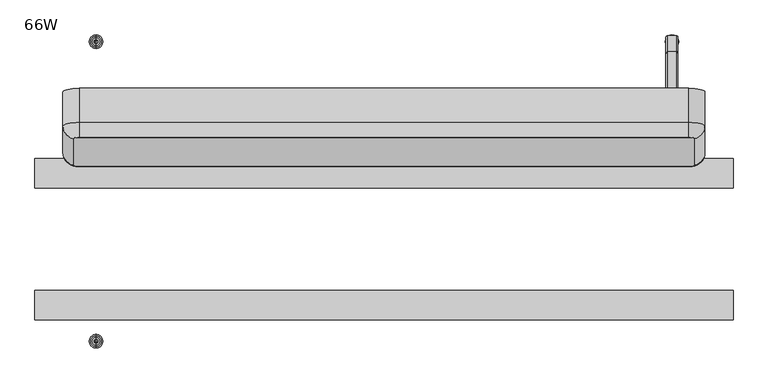
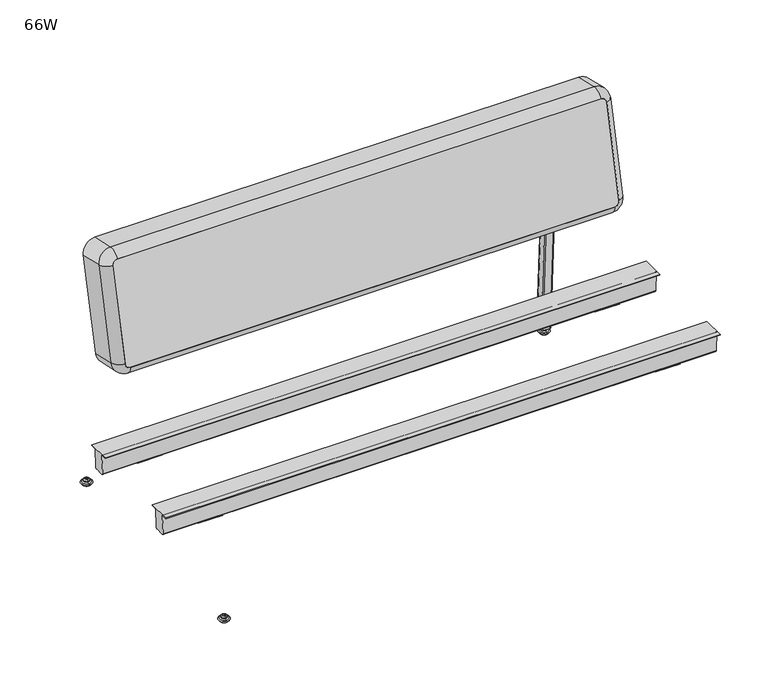
"""IFC4 building model written with IfcOpenShell, lengths in millimetres: furniture geometry, 66W."""

from ifc_helpers import new_model, si_unit, point, frame, frame_2d, origin, place, context, project, spatial, polyline, circle_curve, ellipse_curve, trimmed, segment, composite_curve, outline, extrude, source, transform, mapped, element, save
from ifc_brep_helpers import plane_surface, cylinder_surface, revolved_surface, advanced_brep


def furniture_66w_5d58f311(model_context):
    return source(origin(), model_context, "Body", "SolidModel", [
        advanced_brep(
        [(1447.8, -14.3992226, 14.8752118), (1447.8, -11.087517, 14.8752118), (1447.8, -17.7109282, 14.8752118), (1447.8, -10.5005793, 13.858606), (1447.8, -18.2978659, 13.858606), (1447.8, -6.4686056, 11.2402116), (1447.8, -22.3298395, 11.2402116), (1447.8, -6.4686056, 8.74896), (1447.8, -22.3298395, 8.74896), (1447.8, -8.0502748, 8.74896), (1447.8, -20.7481704, 8.74896), (1447.8, -3.1906557, 5.9432577), (1447.8, -25.6077895, 5.9432577), (1447.8, 0.0, 3.5556814), (1447.8, -28.7984452, 3.5556814), (1447.8, -2.0528912, 0.0), (1447.8, -26.7455539, 0.0), (1447.8, -14.3992226, 0.0)],
        [
            (0, 1),
            (1, 2, circle_curve(frame((1447.8, -14.3992226, 14.8752118), z_axis=(0.0, 0.0, 1.0), x_axis=(0.0, 1.0, 0.0)), 3.3117056)),
            (2, 0),
            (2, 1, circle_curve(frame((1447.8, -14.3992226, 14.8752118), z_axis=(0.0, 0.0, 1.0), x_axis=(0.0, 1.0, 0.0)), 3.3117056)),
            (1, 3),
            (3, 4, circle_curve(frame((1447.8, -14.3992226, 13.858606), z_axis=(0.0, 0.0, 1.0), x_axis=(0.0, 1.0, 0.0)), 3.8986433)),
            (4, 2),
            (4, 3, circle_curve(frame((1447.8, -14.3992226, 13.858606), z_axis=(0.0, 0.0, 1.0), x_axis=(0.0, 1.0, 0.0)), 3.8986433)),
            (3, 5),
            (5, 6, circle_curve(frame((1447.8, -14.3992226, 11.2402116), z_axis=(0.0, 0.0, 1.0), x_axis=(0.0, 1.0, 0.0)), 7.930617)),
            (6, 4),
            (6, 5, circle_curve(frame((1447.8, -14.3992226, 11.2402116), z_axis=(0.0, 0.0, 1.0), x_axis=(0.0, 1.0, 0.0)), 7.930617)),
            (5, 7),
            (7, 8, circle_curve(frame((1447.8, -14.3992226, 8.74896), z_axis=(0.0, 0.0, 1.0), x_axis=(0.0, 1.0, 0.0)), 7.930617)),
            (8, 6),
            (8, 7, circle_curve(frame((1447.8, -14.3992226, 8.74896), z_axis=(0.0, 0.0, 1.0), x_axis=(0.0, 1.0, 0.0)), 7.930617)),
            (7, 9),
            (9, 10, circle_curve(frame((1447.8, -14.3992226, 8.74896), z_axis=(0.0, 0.0, 1.0), x_axis=(0.0, 1.0, 0.0)), 6.3489478)),
            (10, 8),
            (10, 9, circle_curve(frame((1447.8, -14.3992226, 8.74896), z_axis=(0.0, 0.0, 1.0), x_axis=(0.0, 1.0, 0.0)), 6.3489478)),
            (9, 11, circle_curve(frame((1447.8, -3.5380298, 10.9529929), z_axis=(1.0, 0.0, 0.0), x_axis=(0.0, -1.0, 0.0)), 5.0217642)),
            (11, 12, circle_curve(frame((1447.8, -14.3992226, 5.9432577), z_axis=(0.0, 0.0, 1.0), x_axis=(0.0, 1.0, 0.0)), 11.2085669)),
            (12, 10, circle_curve(frame((1447.8, -25.2604154, 10.9529929), z_axis=(1.0, 0.0, 0.0), x_axis=(0.0, 1.0, 0.0)), 5.0217642)),
            (12, 11, circle_curve(frame((1447.8, -14.3992226, 5.9432577), z_axis=(0.0, 0.0, 1.0), x_axis=(0.0, 1.0, 0.0)), 11.2085669)),
            (11, 13, circle_curve(frame((1447.8, -2.9796075, 2.8995769), z_axis=(-1.0, 0.0, 0.0), x_axis=(0.0, -1.0, 0.0)), 3.050989)),
            (13, 14, circle_curve(frame((1447.8, -14.3992226, 3.5556814), z_axis=(0.0, 0.0, 1.0), x_axis=(0.0, 1.0, 0.0)), 14.3992226)),
            (14, 12, circle_curve(frame((1447.8, -25.8188377, 2.8995769), z_axis=(-1.0, 0.0, 0.0), x_axis=(0.0, 1.0, 0.0)), 3.050989)),
            (14, 13, circle_curve(frame((1447.8, -14.3992226, 3.5556814), z_axis=(0.0, 0.0, 1.0), x_axis=(0.0, 1.0, 0.0)), 14.3992226)),
            (13, 15),
            (15, 16, circle_curve(frame((1447.8, -14.3992226, 0.0), z_axis=(0.0, 0.0, 1.0), x_axis=(0.0, 1.0, 0.0)), 12.3463313)),
            (16, 14),
            (16, 15, circle_curve(frame((1447.8, -14.3992226, 0.0), z_axis=(0.0, 0.0, 1.0), x_axis=(0.0, 1.0, 0.0)), 12.3463313)),
            (15, 17),
            (17, 16),
        ],
        [
            plane_surface(frame((1447.8, -14.3992226, 14.8752118), z_axis=(0.0, 0.0, 1.0), x_axis=(0.0, 1.0, 0.0))),
            revolved_surface(polyline([(1447.8, -10.5005793, 13.858606), (1447.8, -11.087517, 14.8752118)]), (1447.8, -14.3992226, 0.0), (0.0, 0.0, 1.0)),
            revolved_surface(polyline([(1447.8, -6.4686056, 11.2402116), (1447.8, -10.5005793, 13.858606)]), (1447.8, -14.3992226, 0.0), (0.0, 0.0, 1.0)),
            cylinder_surface(frame((1447.8, -14.3992226, 0.0), z_axis=(0.0, 0.0, 1.0), x_axis=(0.0, 1.0, 0.0)), 7.930617),
            plane_surface(frame((1447.8, -14.3992226, 8.74896), z_axis=(0.0, 0.0, -1.0), x_axis=(0.0, 1.0, 0.0))),
            revolved_surface(trimmed(ellipse_curve(frame((1447.8, -3.5380298, 10.9529929), z_axis=(-1.0, 0.0, 0.0), x_axis=(0.0, -1.0, 0.0)), 5.0217642, 5.0217642), [point((1447.8, -3.1906557, 5.9432577))], [point((1447.8, -8.0502748, 8.74896))], True, "CARTESIAN"), (1447.8, -14.3992226, 0.0), (0.0, 0.0, 1.0)),
            revolved_surface(trimmed(ellipse_curve(frame((1447.8, -2.9796075, 2.8995769), z_axis=(1.0, 0.0, 0.0), x_axis=(0.0, -1.0, 0.0)), 3.050989, 3.050989), [point((1447.8, 0.0, 3.5556814))], [point((1447.8, -3.1906557, 5.9432577))], True, "CARTESIAN"), (1447.8, -14.3992226, 0.0), (0.0, 0.0, 1.0)),
            revolved_surface(polyline([(1447.8, -2.0528912, 0.0), (1447.8, 0.0, 3.5556814)]), (1447.8, -14.3992226, 0.0), (0.0, 0.0, 1.0)),
            plane_surface(frame((1447.8, -14.3992226, 0.0), z_axis=(0.0, 0.0, -1.0), x_axis=(0.0, 1.0, 0.0))),
        ],
        [
            (0, [[1, 2, 3]]),
            (0, [[-3, 4, -1]]),
            (1, [[-2, 5, 6, 7]]),
            (1, [[-4, -7, 8, -5]]),
            (2, [[-6, 9, 10, 11]]),
            (2, [[-8, -11, 12, -9]]),
            (3, [[-10, 13, 14, 15]]),
            (3, [[-12, -15, 16, -13]]),
            (4, [[-14, 17, 18, 19]]),
            (4, [[-16, -19, 20, -17]]),
            (5, [[-18, 21, 22, 23]]),
            (5, [[-20, -23, 24, -21]]),
            (6, [[-22, 25, 26, 27]]),
            (6, [[-24, -27, 28, -25]]),
            (7, [[-26, 29, 30, 31]]),
            (7, [[-28, -31, 32, -29]]),
            (8, [[-30, 33, 34]]),
            (8, [[-32, -34, -33]]),
        ],
    ),
        advanced_brep(
        [(228.6, -649.2548643, 14.8752118), (228.6, -652.5665699, 14.8752118), (228.6, -645.9431587, 14.8752118), (228.6, -653.1535076, 13.858606), (228.6, -645.3562211, 13.858606), (228.6, -657.1854813, 11.2402116), (228.6, -641.3242474, 11.2402116), (228.6, -657.1854813, 8.74896), (228.6, -641.3242474, 8.74896), (228.6, -655.6038121, 8.74896), (228.6, -642.9059165, 8.74896), (228.6, -660.4634312, 5.9432577), (228.6, -638.0462975, 5.9432577), (228.6, -663.6540869, 3.5556814), (228.6, -634.8556417, 3.5556814), (228.6, -661.6011957, 0.0), (228.6, -636.908533, 0.0), (228.6, -649.2548643, 0.0)],
        [
            (0, 1),
            (1, 2, circle_curve(frame((228.6, -649.2548643, 14.8752118), z_axis=(0.0, 0.0, 1.0), x_axis=(0.0, -1.0, 0.0)), 3.3117056)),
            (2, 0),
            (2, 1, circle_curve(frame((228.6, -649.2548643, 14.8752118), z_axis=(0.0, 0.0, 1.0), x_axis=(0.0, -1.0, 0.0)), 3.3117056)),
            (1, 3),
            (3, 4, circle_curve(frame((228.6, -649.2548643, 13.858606), z_axis=(0.0, 0.0, 1.0), x_axis=(0.0, -1.0, 0.0)), 3.8986433)),
            (4, 2),
            (4, 3, circle_curve(frame((228.6, -649.2548643, 13.858606), z_axis=(0.0, 0.0, 1.0), x_axis=(0.0, -1.0, 0.0)), 3.8986433)),
            (3, 5),
            (5, 6, circle_curve(frame((228.6, -649.2548643, 11.2402116), z_axis=(0.0, 0.0, 1.0), x_axis=(0.0, -1.0, 0.0)), 7.930617)),
            (6, 4),
            (6, 5, circle_curve(frame((228.6, -649.2548643, 11.2402116), z_axis=(0.0, 0.0, 1.0), x_axis=(0.0, -1.0, 0.0)), 7.930617)),
            (5, 7),
            (7, 8, circle_curve(frame((228.6, -649.2548643, 8.74896), z_axis=(0.0, 0.0, 1.0), x_axis=(0.0, -1.0, 0.0)), 7.930617)),
            (8, 6),
            (8, 7, circle_curve(frame((228.6, -649.2548643, 8.74896), z_axis=(0.0, 0.0, 1.0), x_axis=(0.0, -1.0, 0.0)), 7.930617)),
            (7, 9),
            (9, 10, circle_curve(frame((228.6, -649.2548643, 8.74896), z_axis=(0.0, 0.0, 1.0), x_axis=(0.0, -1.0, 0.0)), 6.3489478)),
            (10, 8),
            (10, 9, circle_curve(frame((228.6, -649.2548643, 8.74896), z_axis=(0.0, 0.0, 1.0), x_axis=(0.0, -1.0, 0.0)), 6.3489478)),
            (9, 11, circle_curve(frame((228.6, -660.1160571, 10.9529929), z_axis=(-1.0, 0.0, 0.0), x_axis=(0.0, 1.0, 0.0)), 5.0217642)),
            (11, 12, circle_curve(frame((228.6, -649.2548643, 5.9432577), z_axis=(0.0, 0.0, 1.0), x_axis=(0.0, -1.0, 0.0)), 11.2085669)),
            (12, 10, circle_curve(frame((228.6, -638.3936715, 10.9529929), z_axis=(-1.0, 0.0, 0.0), x_axis=(0.0, -1.0, 0.0)), 5.0217642)),
            (12, 11, circle_curve(frame((228.6, -649.2548643, 5.9432577), z_axis=(0.0, 0.0, 1.0), x_axis=(0.0, -1.0, 0.0)), 11.2085669)),
            (11, 13, circle_curve(frame((228.6, -660.6744794, 2.8995769), z_axis=(1.0, 0.0, 0.0), x_axis=(0.0, 1.0, 0.0)), 3.050989)),
            (13, 14, circle_curve(frame((228.6, -649.2548643, 3.5556814), z_axis=(0.0, 0.0, 1.0), x_axis=(0.0, -1.0, 0.0)), 14.3992226)),
            (14, 12, circle_curve(frame((228.6, -637.8352492, 2.8995769), z_axis=(1.0, 0.0, 0.0), x_axis=(0.0, -1.0, 0.0)), 3.050989)),
            (14, 13, circle_curve(frame((228.6, -649.2548643, 3.5556814), z_axis=(0.0, 0.0, 1.0), x_axis=(0.0, -1.0, 0.0)), 14.3992226)),
            (13, 15),
            (15, 16, circle_curve(frame((228.6, -649.2548643, 0.0), z_axis=(0.0, 0.0, 1.0), x_axis=(0.0, -1.0, 0.0)), 12.3463313)),
            (16, 14),
            (16, 15, circle_curve(frame((228.6, -649.2548643, 0.0), z_axis=(0.0, 0.0, 1.0), x_axis=(0.0, -1.0, 0.0)), 12.3463313)),
            (15, 17),
            (17, 16),
        ],
        [
            plane_surface(frame((228.6, -649.2548643, 14.8752118), z_axis=(0.0, 0.0, 1.0), x_axis=(0.0, -1.0, 0.0))),
            revolved_surface(polyline([(228.6, -653.1535076, 13.858606), (228.6, -652.5665699, 14.8752118)]), (228.6, -649.2548643, 0.0), (0.0, 0.0, 1.0)),
            revolved_surface(polyline([(228.6, -657.1854813, 11.2402116), (228.6, -653.1535076, 13.858606)]), (228.6, -649.2548643, 0.0), (0.0, 0.0, 1.0)),
            cylinder_surface(frame((228.6, -649.2548643, 0.0), z_axis=(0.0, 0.0, 1.0), x_axis=(0.0, -1.0, 0.0)), 7.930617),
            plane_surface(frame((228.6, -649.2548643, 8.74896), z_axis=(0.0, 0.0, -1.0), x_axis=(0.0, -1.0, 0.0))),
            revolved_surface(trimmed(ellipse_curve(frame((228.6, -660.1160571, 10.9529929), z_axis=(1.0, 0.0, 0.0), x_axis=(0.0, 1.0, 0.0)), 5.0217642, 5.0217642), [point((228.6, -660.4634312, 5.9432577))], [point((228.6, -655.6038121, 8.74896))], True, "CARTESIAN"), (228.6, -649.2548643, 0.0), (0.0, 0.0, 1.0)),
            revolved_surface(trimmed(ellipse_curve(frame((228.6, -660.6744794, 2.8995769), z_axis=(-1.0, 0.0, 0.0), x_axis=(0.0, 1.0, 0.0)), 3.050989, 3.050989), [point((228.6, -663.6540869, 3.5556814))], [point((228.6, -660.4634312, 5.9432577))], True, "CARTESIAN"), (228.6, -649.2548643, 0.0), (0.0, 0.0, 1.0)),
            revolved_surface(polyline([(228.6, -661.6011957, 0.0), (228.6, -663.6540869, 3.5556814)]), (228.6, -649.2548643, 0.0), (0.0, 0.0, 1.0)),
            plane_surface(frame((228.6, -649.2548643, 0.0), z_axis=(0.0, 0.0, -1.0), x_axis=(0.0, -1.0, 0.0))),
        ],
        [
            (0, [[1, 2, 3]]),
            (0, [[-3, 4, -1]]),
            (1, [[-2, 5, 6, 7]]),
            (1, [[-4, -7, 8, -5]]),
            (2, [[-6, 9, 10, 11]]),
            (2, [[-8, -11, 12, -9]]),
            (3, [[-10, 13, 14, 15]]),
            (3, [[-12, -15, 16, -13]]),
            (4, [[-14, 17, 18, 19]]),
            (4, [[-16, -19, 20, -17]]),
            (5, [[-18, 21, 22, 23]]),
            (5, [[-20, -23, 24, -21]]),
            (6, [[-22, 25, 26, 27]]),
            (6, [[-24, -27, 28, -25]]),
            (7, [[-26, 29, 30, 31]]),
            (7, [[-28, -31, 32, -29]]),
            (8, [[-30, 33, 34]]),
            (8, [[-32, -34, -33]]),
        ],
    ),
        advanced_brep(
        [(228.6, -17.7109282, 14.8752118), (228.6, -11.087517, 14.8752118), (228.6, -14.3992226, 14.8752118), (228.6, -18.2978659, 13.858606), (228.6, -10.5005793, 13.858606), (228.6, -22.3298395, 11.2402116), (228.6, -6.4686056, 11.2402116), (228.6, -22.3298395, 8.74896), (228.6, -6.4686056, 8.74896), (228.6, -20.7481704, 8.74896), (228.6, -8.0502748, 8.74896), (228.6, -25.6077895, 5.9432577), (228.6, -3.1906557, 5.9432577), (228.6, -28.7984452, 3.5556814), (228.6, 0.0, 3.5556814), (228.6, -26.7455539, 0.0), (228.6, -2.0528912, 0.0), (228.6, -14.3992226, 0.0)],
        [
            (0, 1, circle_curve(frame((228.6, -14.3992226, 14.8752118), z_axis=(0.0, 0.0, 1.0), x_axis=(0.0, 1.0, 0.0)), 3.3117056)),
            (1, 2),
            (2, 0),
            (1, 0, circle_curve(frame((228.6, -14.3992226, 14.8752118), z_axis=(0.0, 0.0, 1.0), x_axis=(0.0, 1.0, 0.0)), 3.3117056)),
            (3, 4, circle_curve(frame((228.6, -14.3992226, 13.858606), z_axis=(0.0, 0.0, 1.0), x_axis=(0.0, 1.0, 0.0)), 3.8986433)),
            (4, 1),
            (0, 3),
            (4, 3, circle_curve(frame((228.6, -14.3992226, 13.858606), z_axis=(0.0, 0.0, 1.0), x_axis=(0.0, 1.0, 0.0)), 3.8986433)),
            (5, 6, circle_curve(frame((228.6, -14.3992226, 11.2402116), z_axis=(0.0, 0.0, 1.0), x_axis=(0.0, 1.0, 0.0)), 7.930617)),
            (6, 4),
            (3, 5),
            (6, 5, circle_curve(frame((228.6, -14.3992226, 11.2402116), z_axis=(0.0, 0.0, 1.0), x_axis=(0.0, 1.0, 0.0)), 7.930617)),
            (7, 8, circle_curve(frame((228.6, -14.3992226, 8.74896), z_axis=(0.0, 0.0, 1.0), x_axis=(0.0, 1.0, 0.0)), 7.930617)),
            (8, 6),
            (5, 7),
            (8, 7, circle_curve(frame((228.6, -14.3992226, 8.74896), z_axis=(0.0, 0.0, 1.0), x_axis=(0.0, 1.0, 0.0)), 7.930617)),
            (9, 10, circle_curve(frame((228.6, -14.3992226, 8.74896), z_axis=(0.0, 0.0, 1.0), x_axis=(0.0, 1.0, 0.0)), 6.3489478)),
            (10, 8),
            (7, 9),
            (10, 9, circle_curve(frame((228.6, -14.3992226, 8.74896), z_axis=(0.0, 0.0, 1.0), x_axis=(0.0, 1.0, 0.0)), 6.3489478)),
            (11, 12, circle_curve(frame((228.6, -14.3992226, 5.9432577), z_axis=(0.0, 0.0, 1.0), x_axis=(0.0, 1.0, 0.0)), 11.2085669)),
            (12, 10, circle_curve(frame((228.6, -3.5380298, 10.9529929), z_axis=(-1.0, 0.0, 0.0), x_axis=(0.0, -1.0, 0.0)), 5.0217642)),
            (9, 11, circle_curve(frame((228.6, -25.2604154, 10.9529929), z_axis=(-1.0, 0.0, 0.0), x_axis=(0.0, 1.0, 0.0)), 5.0217642)),
            (12, 11, circle_curve(frame((228.6, -14.3992226, 5.9432577), z_axis=(0.0, 0.0, 1.0), x_axis=(0.0, 1.0, 0.0)), 11.2085669)),
            (13, 14, circle_curve(frame((228.6, -14.3992226, 3.5556814), z_axis=(0.0, 0.0, 1.0), x_axis=(0.0, 1.0, 0.0)), 14.3992226)),
            (14, 12, circle_curve(frame((228.6, -2.9796075, 2.8995769), z_axis=(1.0, 0.0, 0.0), x_axis=(0.0, -1.0, 0.0)), 3.050989)),
            (11, 13, circle_curve(frame((228.6, -25.8188377, 2.8995769), z_axis=(1.0, 0.0, 0.0), x_axis=(0.0, 1.0, 0.0)), 3.050989)),
            (14, 13, circle_curve(frame((228.6, -14.3992226, 3.5556814), z_axis=(0.0, 0.0, 1.0), x_axis=(0.0, 1.0, 0.0)), 14.3992226)),
            (15, 16, circle_curve(frame((228.6, -14.3992226, 0.0), z_axis=(0.0, 0.0, 1.0), x_axis=(0.0, 1.0, 0.0)), 12.3463313)),
            (16, 14),
            (13, 15),
            (16, 15, circle_curve(frame((228.6, -14.3992226, 0.0), z_axis=(0.0, 0.0, 1.0), x_axis=(0.0, 1.0, 0.0)), 12.3463313)),
            (17, 16),
            (15, 17),
        ],
        [
            plane_surface(frame((228.6, -14.3992226, 14.8752118), z_axis=(0.0, 0.0, 1.0), x_axis=(0.0, 1.0, 0.0))),
            revolved_surface(polyline([(228.6, -11.087517, 14.8752118), (228.6, -10.5005793, 13.858606)]), (228.6, -14.3992226, 0.0), (0.0, 0.0, -1.0)),
            revolved_surface(polyline([(228.6, -10.5005793, 13.858606), (228.6, -6.4686056, 11.2402116)]), (228.6, -14.3992226, 0.0), (0.0, 0.0, -1.0)),
            cylinder_surface(frame((228.6, -14.3992226, 0.0), z_axis=(0.0, 0.0, -1.0), x_axis=(0.0, 1.0, 0.0)), 7.930617),
            plane_surface(frame((228.6, -14.3992226, 8.74896), z_axis=(0.0, 0.0, -1.0), x_axis=(0.0, 1.0, 0.0))),
            revolved_surface(trimmed(ellipse_curve(frame((228.6, -3.5380298, 10.9529929), z_axis=(1.0, 0.0, 0.0), x_axis=(0.0, -1.0, 0.0)), 5.0217642, 5.0217642), [point((228.6, -8.0502748, 8.74896))], [point((228.6, -3.1906557, 5.9432577))], True, "CARTESIAN"), (228.6, -14.3992226, 0.0), (0.0, 0.0, -1.0)),
            revolved_surface(trimmed(ellipse_curve(frame((228.6, -2.9796075, 2.8995769), z_axis=(-1.0, 0.0, 0.0), x_axis=(0.0, -1.0, 0.0)), 3.050989, 3.050989), [point((228.6, -3.1906557, 5.9432577))], [point((228.6, 0.0, 3.5556814))], True, "CARTESIAN"), (228.6, -14.3992226, 0.0), (0.0, 0.0, -1.0)),
            revolved_surface(polyline([(228.6, 0.0, 3.5556814), (228.6, -2.0528912, 0.0)]), (228.6, -14.3992226, 0.0), (0.0, 0.0, -1.0)),
            plane_surface(frame((228.6, -14.3992226, 0.0), z_axis=(0.0, 0.0, -1.0), x_axis=(0.0, 1.0, 0.0))),
        ],
        [
            (0, [[1, 2, 3]]),
            (0, [[4, -3, -2]]),
            (1, [[5, 6, -1, 7]]),
            (1, [[8, -7, -4, -6]]),
            (2, [[9, 10, -5, 11]]),
            (2, [[12, -11, -8, -10]]),
            (3, [[13, 14, -9, 15]]),
            (3, [[16, -15, -12, -14]]),
            (4, [[17, 18, -13, 19]]),
            (4, [[20, -19, -16, -18]]),
            (5, [[21, 22, -17, 23]]),
            (5, [[24, -23, -20, -22]]),
            (6, [[25, 26, -21, 27]]),
            (6, [[28, -27, -24, -26]]),
            (7, [[29, 30, -25, 31]]),
            (7, [[32, -31, -28, -30]]),
            (8, [[33, -29, 34]]),
            (8, [[-34, -32, -33]]),
        ],
    ),
        advanced_brep(
        [(180.2721752, -220.1490121, 755.4827738), (192.9721752, -217.2921337, 767.8572736), (192.9721752, -186.0907368, 782.8057497), (158.6880404, -193.8029891, 749.4003151), (180.2721752, -121.1411928, 732.6250176), (192.9721752, -118.2843144, 744.9995174), (192.9721752, -113.4289405, 766.0304522), (158.6880404, -121.1411928, 732.6250176), (158.6880404, -249.9292337, 506.2908408), (180.2721752, -276.2752567, 512.3732995), (180.2721752, -177.2674373, 489.5155433), (158.6880404, -177.2674373, 489.5155433), (192.9721752, -279.1321351, 499.9987997), (192.9721752, -257.6414859, 472.8854062), (192.9721752, -180.1243157, 477.1410435), (192.9721752, -184.9796896, 456.1101087), (1483.36, -257.6414859, 472.8854062), (1483.36, -279.1321351, 499.9987997), (1483.36, -180.1243157, 477.1410435), (1483.36, -184.9796896, 456.1101087), (1496.06, -276.2752567, 512.3732995), (1517.6441348, -249.9292337, 506.2908408), (1496.06, -177.2674373, 489.5155433), (1517.6441348, -177.2674373, 489.5155433), (1517.6441348, -193.8029891, 749.4003151), (1496.06, -220.1490121, 755.4827738), (1496.06, -121.1411928, 732.6250176), (1517.6441348, -121.1411928, 732.6250176), (1483.36, -217.2921337, 767.8572736), (1483.36, -186.0907368, 782.8057497), (1483.36, -118.2843144, 744.9995174), (1483.36, -113.4289405, 766.0304522)],
        [
            (0, 1, circle_curve(frame((192.9721752, -220.1490121, 755.4827738), z_axis=(0.0, 0.9743700647852357, -0.22495105434386325), x_axis=(0.0, 0.22495105434386325, 0.9743700647852357)), 12.7)),
            (1, 2, circle_curve(frame((192.9721752, -192.3282543, 755.7880932), z_axis=(-1.0000000000000004, 0.0, 0.0), x_axis=(0.0, -0.22495105434386323, -0.9743700647852357)), 27.7283319)),
            (2, 3, circle_curve(frame((192.9721752, -193.8029891, 749.4003151), z_axis=(0.0, -0.9743700647852357, 0.22495105434386325), x_axis=(0.0, 0.22495105434386325, 0.9743700647852357)), 34.2841348)),
            (3, 0, circle_curve(frame((186.4163724, -193.8029891, 749.4003151), z_axis=(0.0, 0.22495105434386325, 0.9743700647852357), x_axis=(1.0000000000000004, 0.0, 0.0)), 27.7283319)),
            (4, 5, circle_curve(frame((192.9721752, -121.1411928, 732.6250176), z_axis=(0.0, 0.9743700647852357, -0.22495105434386325), x_axis=(0.0, 0.22495105434386325, 0.9743700647852357)), 12.7)),
            (5, 1),
            (0, 4),
            (2, 6),
            (6, 7, circle_curve(frame((192.9721752, -121.1411928, 732.6250176), z_axis=(0.0, -0.9743700647852357, 0.22495105434386325), x_axis=(0.0, 0.22495105434386325, 0.9743700647852357)), 34.2841348)),
            (7, 3),
            (3, 8),
            (8, 9, circle_curve(frame((186.4163724, -249.9292337, 506.2908408), z_axis=(0.0, 0.2249510543438632, 0.9743700647852358), x_axis=(1.0, 0.0, 0.0)), 27.7283319)),
            (9, 0),
            (9, 10),
            (10, 4),
            (7, 11),
            (11, 8),
            (12, 9, circle_curve(frame((192.9721752, -276.2752567, 512.3732995), z_axis=(0.0, 0.9743700647852357, -0.22495105434386325), x_axis=(-1.0000000000000002, 0.0, 0.0)), 12.7)),
            (8, 13, circle_curve(frame((192.9721752, -249.9292337, 506.2908408), z_axis=(0.0, -0.9743700647852357, 0.22495105434386325), x_axis=(-1.0000000000000002, 0.0, 0.0)), 34.2841348)),
            (13, 12, circle_curve(frame((192.9721752, -251.4039684, 499.9030628), z_axis=(-1.0000000000000002, 0.0, 0.0), x_axis=(0.0, 0.22495105434386342, 0.9743700647852361)), 27.7283319)),
            (14, 10, circle_curve(frame((192.9721752, -177.2674373, 489.5155433), z_axis=(0.0, 0.9743700647852357, -0.22495105434386325), x_axis=(-1.0000000000000002, 0.0, 0.0)), 12.7)),
            (12, 14),
            (11, 15, circle_curve(frame((192.9721752, -177.2674373, 489.5155433), z_axis=(0.0, -0.9743700647852357, 0.22495105434386325), x_axis=(-1.0000000000000002, 0.0, 0.0)), 34.2841348)),
            (15, 13),
            (13, 16),
            (16, 17, circle_curve(frame((1483.36, -251.4039684, 499.9030628), z_axis=(-1.0, 0.0, 0.0), x_axis=(0.0, 0.2249510543438633, 0.9743700647852357)), 27.7283319)),
            (17, 12),
            (17, 18),
            (18, 14),
            (15, 19),
            (19, 16),
            (20, 17, circle_curve(frame((1483.36, -276.2752567, 512.3732995), z_axis=(0.0, 0.9743700647852357, -0.22495105434386325), x_axis=(0.0, -0.22495105434386325, -0.9743700647852357)), 12.7)),
            (16, 21, circle_curve(frame((1483.36, -249.9292337, 506.2908408), z_axis=(0.0, -0.9743700647852357, 0.22495105434386325), x_axis=(0.0, -0.22495105434386325, -0.9743700647852357)), 34.2841348)),
            (21, 20, circle_curve(frame((1489.9158029, -249.9292337, 506.2908408), z_axis=(0.0, -0.22495105434386323, -0.9743700647852357), x_axis=(-1.0000000000000002, 0.0, 0.0)), 27.7283319)),
            (22, 18, circle_curve(frame((1483.36, -177.2674373, 489.5155433), z_axis=(0.0, 0.9743700647852357, -0.22495105434386325), x_axis=(0.0, -0.22495105434386325, -0.9743700647852357)), 12.7)),
            (20, 22),
            (19, 23, circle_curve(frame((1483.36, -177.2674373, 489.5155433), z_axis=(0.0, -0.9743700647852357, 0.22495105434386325), x_axis=(0.0, -0.22495105434386325, -0.9743700647852357)), 34.2841348)),
            (23, 21),
            (21, 24),
            (24, 25, circle_curve(frame((1489.9158029, -193.8029891, 749.4003151), z_axis=(0.0, -0.22495105434386314, -0.9743700647852357), x_axis=(-1.0, 0.0, 0.0)), 27.7283319)),
            (25, 20),
            (25, 26),
            (26, 22),
            (23, 27),
            (27, 24),
            (28, 25, circle_curve(frame((1483.36, -220.1490121, 755.4827738), z_axis=(0.0, 0.9743700647852357, -0.22495105434386325), x_axis=(1.0, 0.0, 0.0)), 12.7)),
            (24, 29, circle_curve(frame((1483.36, -193.8029891, 749.4003151), z_axis=(0.0, -0.9743700647852357, 0.22495105434386325), x_axis=(1.0, 0.0, 0.0)), 34.2841348)),
            (29, 28, circle_curve(frame((1483.36, -192.3282543, 755.7880932), z_axis=(1.0, 0.0, 0.0), x_axis=(0.0, -0.2249510543438632, -0.9743700647852357)), 27.7283319)),
            (30, 26, circle_curve(frame((1483.36, -121.1411928, 732.6250176), z_axis=(0.0, 0.9743700647852357, -0.22495105434386325), x_axis=(1.0, 0.0, 0.0)), 12.7)),
            (28, 30),
            (27, 31, circle_curve(frame((1483.36, -121.1411928, 732.6250176), z_axis=(0.0, -0.9743700647852357, 0.22495105434386325), x_axis=(1.0, 0.0, 0.0)), 34.2841348)),
            (31, 29),
            (29, 2),
            (1, 28),
            (5, 30),
            (6, 31),
        ],
        [
            revolved_surface(trimmed(ellipse_curve(frame((192.9721752, -192.3282543, 755.7880932), z_axis=(1.0000000000000004, 0.0, 0.0), x_axis=(0.0, -0.22495105434386323, -0.9743700647852357)), 27.7283319, 27.7283319), [point((192.9721752, -186.0907368, 782.8057497))], [point((192.9721752, -217.2921337, 767.8572736))], True, "CARTESIAN"), (192.9721752, -220.1490121, 755.4827738), (0.0, -0.9743700647852359, 0.2249510543438633)),
            revolved_surface(polyline([(192.9721752, -217.29213370983294, 767.8572736227725), (192.9721752, -118.28431438434461, 744.9995174678106)]), (192.9721752, -220.1490121, 755.4827738), (0.0, -0.9743700647852359, 0.2249510543438633)),
            cylinder_surface(frame((192.9721752, -220.1490121, 755.4827738), z_axis=(0.0, -0.9743700647852359, 0.2249510543438633), x_axis=(0.0, 0.22495105434386325, 0.9743700647852357)), 34.2841348),
            cylinder_surface(frame((186.4163724, -193.8029891, 749.4003151), z_axis=(0.0, 0.22495105434386314, 0.9743700647852356), x_axis=(1.0, 0.0, 0.0)), 27.7283319),
            plane_surface(frame((180.2721752, -220.1490121, 755.4827738), z_axis=(1.0, 0.0, 0.0), x_axis=(0.0, -0.224951054343863, -0.9743700647852357))),
            plane_surface(frame((158.6880404, -121.1411928, 732.6250176), z_axis=(-1.0, 0.0, 0.0), x_axis=(0.0, -0.2249510543438632, -0.9743700647852357))),
            revolved_surface(trimmed(ellipse_curve(frame((186.4163724, -249.9292337, 506.2908408), z_axis=(0.0, 0.22495105434386323, 0.9743700647852361), x_axis=(1.0000000000000002, 0.0, 0.0)), 27.7283319, 27.7283319), [point((158.6880404, -249.9292337, 506.2908408))], [point((180.2721752, -276.2752567, 512.3732995))], True, "CARTESIAN"), (192.9721752, -276.2752567, 512.3732995), (0.0, -0.9743700647852359, 0.2249510543438633)),
            revolved_surface(polyline([(180.2721752, -276.27525671432676, 512.3732995033076), (180.2721752, -177.26743729389875, 489.5155433264272)]), (192.9721752, -276.2752567, 512.3732995), (0.0, -0.9743700647852359, 0.2249510543438633)),
            cylinder_surface(frame((192.9721752, -276.2752567, 512.3732995), z_axis=(0.0, -0.9743700647852359, 0.2249510543438633), x_axis=(-1.0000000000000002, 0.0, 0.0)), 34.2841348),
            cylinder_surface(frame((192.9721752, -251.4039684, 499.9030628), z_axis=(-1.0, 0.0, 0.0), x_axis=(0.0, 0.2249510543438633, 0.9743700647852357)), 27.7283319),
            plane_surface(frame((192.9721752, -279.1321351, 499.9987997), z_axis=(0.0, 0.22495105434386325, 0.9743700647852357), x_axis=(1.0, 0.0, 0.0))),
            plane_surface(frame((192.9721752, -184.9796896, 456.1101087), z_axis=(0.0, -0.22495105434386378, -0.9743700647852356), x_axis=(1.0, 0.0, 0.0))),
            revolved_surface(trimmed(ellipse_curve(frame((1483.36, -251.4039684, 499.9030628), z_axis=(-1.0000000000000002, 0.0, 0.0), x_axis=(0.0, 0.2249510543438633, 0.9743700647852357)), 27.7283319, 27.7283319), [point((1483.36, -257.6414859, 472.8854062))], [point((1483.36, -279.1321351, 499.9987997))], True, "CARTESIAN"), (1483.36, -276.2752567, 512.3732995), (0.0, -0.9743700647852357, 0.22495105434386325)),
            revolved_surface(polyline([(1483.36, -279.13213510449384, 499.99879968053517), (1483.36, -180.1243156840659, 477.14104350365477)]), (1483.36, -276.2752567, 512.3732995), (0.0, -0.9743700647852357, 0.22495105434386325)),
            cylinder_surface(frame((1483.36, -276.2752567, 512.3732995), z_axis=(0.0, -0.9743700647852357, 0.22495105434386325), x_axis=(0.0, -0.22495105434386325, -0.9743700647852357)), 34.2841348),
            cylinder_surface(frame((1489.9158029, -249.9292337, 506.2908408), z_axis=(0.0, -0.22495105434386314, -0.9743700647852357), x_axis=(-1.0, 0.0, 0.0)), 27.7283319),
            plane_surface(frame((1496.06, -276.2752567, 512.3732995), z_axis=(-1.0, 0.0, 0.0), x_axis=(0.0, 0.22495105434386312, 0.9743700647852357))),
            plane_surface(frame((1517.6441348, -177.2674373, 489.5155433), z_axis=(1.0, 0.0, 0.0), x_axis=(0.0, 0.22495105434386317, 0.9743700647852357))),
            revolved_surface(trimmed(ellipse_curve(frame((1489.9158029, -193.8029891, 749.4003151), z_axis=(0.0, -0.2249510543438632, -0.9743700647852357), x_axis=(-1.0, 0.0, 0.0)), 27.7283319, 27.7283319), [point((1517.6441348, -193.8029891, 749.4003151))], [point((1496.06, -220.1490121, 755.4827738))], True, "CARTESIAN"), (1483.36, -220.1490121, 755.4827738), (0.0, -0.9743700647852357, 0.22495105434386325)),
            revolved_surface(polyline([(1496.06, -220.1490121, 755.4827738), (1496.06, -121.14119277451171, 732.6250176450382)]), (1483.36, -220.1490121, 755.4827738), (0.0, -0.9743700647852357, 0.22495105434386325)),
            cylinder_surface(frame((1483.36, -220.1490121, 755.4827738), z_axis=(0.0, -0.9743700647852357, 0.22495105434386325), x_axis=(1.0, 0.0, 0.0)), 34.2841348),
            cylinder_surface(frame((1483.36, -192.3282543, 755.7880932), z_axis=(1.0, 0.0, 0.0), x_axis=(0.0, -0.2249510543438632, -0.9743700647852357)), 27.7283319),
            plane_surface(frame((1483.36, -217.2921337, 767.8572736), z_axis=(0.0, -0.22495105434386328, -0.9743700647852357), x_axis=(-1.0, 0.0, 0.0))),
            plane_surface(frame((1483.36, -118.2843144, 744.9995174), z_axis=(0.0, 0.9743700647852357, -0.2249510543438632), x_axis=(-1.0, 0.0, 0.0))),
            plane_surface(frame((1483.36, -113.4289405, 766.0304522), z_axis=(0.0, 0.22495105434386276, 0.9743700647852358), x_axis=(-1.0, 0.0, 0.0))),
        ],
        [
            (0, [[1, 2, 3, 4]]),
            (1, [[5, 6, -1, 7]]),
            (2, [[-3, 8, 9, 10]]),
            (3, [[-4, 11, 12, 13]]),
            (4, [[-7, -13, 14, 15]]),
            (5, [[-10, 16, 17, -11]]),
            (6, [[18, -12, 19, 20]]),
            (7, [[21, -14, -18, 22]]),
            (8, [[-19, -17, 23, 24]]),
            (9, [[-20, 25, 26, 27]]),
            (10, [[-22, -27, 28, 29]]),
            (11, [[-24, 30, 31, -25]]),
            (12, [[32, -26, 33, 34]]),
            (13, [[35, -28, -32, 36]]),
            (14, [[-33, -31, 37, 38]]),
            (15, [[-34, 39, 40, 41]]),
            (16, [[-36, -41, 42, 43]]),
            (17, [[-38, 44, 45, -39]]),
            (18, [[46, -40, 47, 48]]),
            (19, [[49, -42, -46, 50]]),
            (20, [[-47, -45, 51, 52]]),
            (21, [[-48, 53, -2, 54]]),
            (22, [[-50, -54, -6, 55]]),
            (23, [[56, -51, -44, -37, -30, -23, -16, -9], [-43, -49, -55, -5, -15, -21, -29, -35]]),
            (24, [[-52, -56, -8, -53]]),
        ],
    ),
        extrude(outline(composite_curve([segment(trimmed(circle_curve(frame_2d((1290.3878248, -12.7)), 12.7), [point((1290.3878248, 0.0))], [point((1303.0878248, -12.7))], False, "CARTESIAN"), True, "CONTINUOUS"), segment(polyline([(1303.0878248, -12.7), (1303.0878248, -262.2042521)]), True, "CONTINUOUS"), segment(trimmed(circle_curve(frame_2d((1290.3878248, -262.2042521)), 12.7), [point((1303.0878248, -262.2042521))], [point((1290.3878248, -274.9042521))], False, "CARTESIAN"), True, "CONTINUOUS"), segment(polyline([(1290.3878248, -274.9042521), (0.0, -274.9042521)]), True, "CONTINUOUS"), segment(trimmed(circle_curve(frame_2d((0.0, -262.2042521)), 12.7), [point((0.0, -274.9042521))], [point((-12.7, -262.2042521))], False, "CARTESIAN"), True, "CONTINUOUS"), segment(polyline([(-12.7, -262.2042521), (-12.7, -12.7)]), True, "CONTINUOUS"), segment(trimmed(circle_curve(frame_2d((0.0, -12.7)), 12.7), [point((-12.7, -12.7))], [point((0.0, 0.0))], False, "CARTESIAN"), True, "CONTINUOUS"), segment(polyline([(0.0, 0.0), (1290.3878248, 0.0)]), True, "CONTINUOUS")], self_intersect=False)), frame((192.9721752, -118.2843144, 744.9995174), z_axis=(0.0, -0.9743700647852357, 0.22495105434386325), x_axis=(1.0, 0.0, 0.0)), (0.0, 0.0, 1.0), 101.6121317),
        advanced_brep(
        [(1577.0864869, -262.4962837, 302.386969), (99.3135131, -262.4962837, 302.386969), (99.246985, -262.4962837, 304.2920853), (1577.153015, -262.4962837, 304.2920853), (99.246985, -324.1654368, 304.2920853), (1577.153015, -324.1654368, 304.2920853), (99.3135131, -324.1654368, 302.386969), (1577.0864869, -324.1654368, 302.386969), (99.3135131, -309.9527199, 302.386969), (1577.0864869, -309.9527199, 302.386969), (99.3459283, -309.0244696, 301.4587187), (1577.0540717, -309.0244696, 301.4587187), (101.1356016, -309.0244696, 250.2091797), (1575.2643984, -309.0244696, 250.2091797), (101.2647214, -305.326963, 246.5116732), (1575.1352786, -305.326963, 246.5116732), (101.2647214, -281.5278777, 246.5116732), (1575.1352786, -281.5278777, 246.5116732), (101.1305374, -277.6853512, 250.3541997), (1575.2694626, -277.6853512, 250.3541997), (99.3489926, -277.6853512, 301.370969), (1577.0510074, -277.6853512, 301.370969), (99.3135131, -276.6693512, 302.386969), (1577.0864869, -276.6693512, 302.386969)],
        [
            (0, 1),
            (1, 2),
            (2, 3),
            (3, 0),
            (2, 4),
            (4, 5),
            (5, 3),
            (4, 6),
            (6, 7),
            (7, 5),
            (6, 8),
            (8, 9),
            (9, 7),
            (8, 10, ellipse_curve(frame((99.3459283, -309.9527199, 301.4587187), z_axis=(-0.9993908270190957, 0.0, -0.03489949670250283), x_axis=(-0.03489949670250301, 0.0, 0.9993908270190957)), 0.9288161, 0.9282503)),
            (10, 11),
            (11, 9, ellipse_curve(frame((1577.0540717, -309.9527199, 301.4587187), z_axis=(0.9993908270190958, 0.0, -0.03489949670250177), x_axis=(-0.03489949670249771, 0.0, -0.9993908270190959)), 0.9288161, 0.9282503)),
            (10, 12),
            (12, 13),
            (13, 11),
            (12, 14, ellipse_curve(frame((101.1356016, -305.326963, 250.2091797), z_axis=(0.9993908270190957, 0.0, 0.03489949670250283), x_axis=(0.03489949670250301, 0.0, -0.9993908270190957)), 3.6997604, 3.6975066)),
            (14, 15),
            (15, 13, ellipse_curve(frame((1575.2643984, -305.326963, 250.2091797), z_axis=(-0.9993908270190958, 0.0, 0.03489949670250177), x_axis=(0.03489949670249771, 0.0, 0.9993908270190959)), 3.6997604, 3.6975066)),
            (14, 16),
            (16, 17),
            (17, 15),
            (16, 18, ellipse_curve(frame((101.1305374, -281.5278777, 250.3541997), z_axis=(0.9993908270190957, 0.0, 0.03489949670250283), x_axis=(0.03489949670250301, 0.0, -0.9993908270190957)), 3.8448687, 3.8425266)),
            (18, 19),
            (19, 17, ellipse_curve(frame((1575.2694626, -281.5278777, 250.3541997), z_axis=(-0.9993908270190958, 0.0, 0.03489949670250177), x_axis=(0.03489949670249771, 0.0, 0.9993908270190959)), 3.8448687, 3.8425266)),
            (18, 20),
            (20, 21),
            (21, 19),
            (20, 22, ellipse_curve(frame((99.3489926, -276.6693512, 301.370969), z_axis=(-0.9993908270190957, 0.0, -0.03489949670250283), x_axis=(-0.03489949670250301, 0.0, 0.9993908270190957)), 1.0166193, 1.016)),
            (22, 23),
            (23, 21, ellipse_curve(frame((1577.0510074, -276.6693512, 301.370969), z_axis=(0.9993908270190958, 0.0, -0.03489949670250177), x_axis=(-0.03489949670249771, 0.0, -0.9993908270190959)), 1.0166193, 1.016)),
            (0, 23),
            (22, 1),
        ],
        [
            plane_surface(frame((1606.55, -262.4962837, 302.386969), z_axis=(0.0, 1.0, 0.0), x_axis=(-1.0, 0.0, 0.0))),
            plane_surface(frame((1606.55, -262.4962837, 304.2920853), z_axis=(0.0, 0.0, 1.0), x_axis=(-1.0, 0.0, 0.0))),
            plane_surface(frame((1606.55, -324.1654368, 304.2920853), z_axis=(0.0, -1.0, 0.0), x_axis=(-1.0, 0.0, 0.0))),
            plane_surface(frame((1606.55, -324.1654368, 302.386969), z_axis=(0.0, 0.0, -1.0), x_axis=(-1.0, 0.0, 0.0))),
            revolved_surface(polyline([(99.31351308558081, -310.8809702, 301.4587187), (1577.086486914419, -310.8809702, 301.4587187)]), (69.85, -309.9527199, 301.4587187), (-1.0, 0.0, 0.0)),
            plane_surface(frame((1606.55, -309.0244696, 301.4587187), z_axis=(0.0, -1.0, 0.0), x_axis=(-1.0, 0.0, 0.0))),
            cylinder_surface(frame((69.85, -305.326963, 250.2091797), z_axis=(1.0, 0.0, 0.0), x_axis=(0.0, -1.0, 0.0)), 3.6975066),
            plane_surface(frame((1606.55, -305.326963, 246.5116732), z_axis=(0.0, 0.0, -1.0), x_axis=(-1.0, 0.0, 0.0))),
            cylinder_surface(frame((69.85, -281.5278777, 250.3541997), z_axis=(1.0, 0.0, 0.0), x_axis=(0.0, -1.0, 0.0)), 3.8425266),
            plane_surface(frame((1606.55, -277.6853512, 250.3541997), z_axis=(0.0, 1.0, 0.0), x_axis=(-1.0, 0.0, 0.0))),
            revolved_surface(polyline([(99.31351309809196, -277.6853512, 301.370969), (1577.0864869019078, -277.6853512, 301.370969)]), (69.85, -276.6693512, 301.370969), (-1.0, 0.0, 0.0)),
            plane_surface(frame((1606.55, -276.6693512, 302.386969), z_axis=(0.0, 0.0, -1.0), x_axis=(-1.0, 0.0, 0.0))),
            plane_surface(frame((99.246985, -115.8078763, 304.2920853), z_axis=(-0.9993908270190957, 0.0, -0.03489949670250283), x_axis=(0.0, -1.0, 0.0))),
            plane_surface(frame((1573.828838, -115.8078763, 209.100109), z_axis=(0.9993908270190958, 0.0, -0.03489949670250177), x_axis=(0.0, -1.0, 0.0))),
        ],
        [
            (0, [[1, 2, 3, 4]]),
            (1, [[-3, 5, 6, 7]]),
            (2, [[-6, 8, 9, 10]]),
            (3, [[-9, 11, 12, 13]]),
            (4, [[-12, 14, 15, 16]]),
            (5, [[-15, 17, 18, 19]]),
            (6, [[-18, 20, 21, 22]]),
            (7, [[-21, 23, 24, 25]]),
            (8, [[-24, 26, 27, 28]]),
            (9, [[-27, 29, 30, 31]]),
            (10, [[-30, 32, 33, 34]]),
            (11, [[-1, 35, -33, 36]]),
            (12, [[-2, -36, -32, -29, -26, -23, -20, -17, -14, -11, -8, -5]]),
            (13, [[-4, -7, -10, -13, -16, -19, -22, -25, -28, -31, -34, -35]]),
        ],
    ),
        advanced_brep(
        [(1577.0864869, -541.7947355, 302.386969), (99.3135131, -541.7947355, 302.386969), (99.246985, -541.7947355, 304.2920853), (1577.153015, -541.7947355, 304.2920853), (99.246985, -603.4638886, 304.2920853), (1577.153015, -603.4638886, 304.2920853), (99.3135131, -603.4638886, 302.386969), (1577.0864869, -603.4638886, 302.386969), (99.3135131, -589.2511716, 302.386969), (1577.0864869, -589.2511716, 302.386969), (99.3459283, -588.3229213, 301.4587187), (1577.0540717, -588.3229213, 301.4587187), (101.1356016, -588.3229213, 250.2091797), (1575.2643984, -588.3229213, 250.2091797), (101.2647214, -584.6254147, 246.5116732), (1575.1352786, -584.6254147, 246.5116732), (101.2647214, -560.8263295, 246.5116732), (1575.1352786, -560.8263295, 246.5116732), (101.1305374, -556.9838029, 250.3541997), (1575.2694626, -556.9838029, 250.3541997), (99.3489926, -556.9838029, 301.370969), (1577.0510074, -556.9838029, 301.370969), (99.3135131, -555.9678029, 302.386969), (1577.0864869, -555.9678029, 302.386969)],
        [
            (0, 1),
            (1, 2),
            (2, 3),
            (3, 0),
            (2, 4),
            (4, 5),
            (5, 3),
            (4, 6),
            (6, 7),
            (7, 5),
            (6, 8),
            (8, 9),
            (9, 7),
            (8, 10, ellipse_curve(frame((99.3459283, -589.2511716, 301.4587187), z_axis=(-0.9993908270190957, 0.0, -0.03489949670250283), x_axis=(-0.03489949670250301, 0.0, 0.9993908270190957)), 0.9288161, 0.9282503)),
            (10, 11),
            (11, 9, ellipse_curve(frame((1577.0540717, -589.2511716, 301.4587187), z_axis=(0.9993908270190958, 0.0, -0.03489949670250177), x_axis=(-0.03489949670249771, 0.0, -0.9993908270190959)), 0.9288161, 0.9282503)),
            (10, 12),
            (12, 13),
            (13, 11),
            (12, 14, ellipse_curve(frame((101.1356016, -584.6254147, 250.2091797), z_axis=(0.9993908270190957, 0.0, 0.03489949670250283), x_axis=(0.03489949670250301, 0.0, -0.9993908270190957)), 3.6997604, 3.6975066)),
            (14, 15),
            (15, 13, ellipse_curve(frame((1575.2643984, -584.6254147, 250.2091797), z_axis=(-0.9993908270190958, 0.0, 0.03489949670250177), x_axis=(0.03489949670249771, 0.0, 0.9993908270190959)), 3.6997604, 3.6975066)),
            (14, 16),
            (16, 17),
            (17, 15),
            (16, 18, ellipse_curve(frame((101.1305374, -560.8263295, 250.3541997), z_axis=(0.9993908270190957, 0.0, 0.03489949670250283), x_axis=(0.03489949670250301, 0.0, -0.9993908270190957)), 3.8448687, 3.8425266)),
            (18, 19),
            (19, 17, ellipse_curve(frame((1575.2694626, -560.8263295, 250.3541997), z_axis=(-0.9993908270190958, 0.0, 0.03489949670250177), x_axis=(0.03489949670249771, 0.0, 0.9993908270190959)), 3.8448687, 3.8425266)),
            (18, 20),
            (20, 21),
            (21, 19),
            (20, 22, ellipse_curve(frame((99.3489926, -555.9678029, 301.370969), z_axis=(-0.9993908270190957, 0.0, -0.03489949670250283), x_axis=(-0.03489949670250301, 0.0, 0.9993908270190957)), 1.0166193, 1.016)),
            (22, 23),
            (23, 21, ellipse_curve(frame((1577.0510074, -555.9678029, 301.370969), z_axis=(0.9993908270190958, 0.0, -0.03489949670250177), x_axis=(-0.03489949670249771, 0.0, -0.9993908270190959)), 1.0166193, 1.016)),
            (0, 23),
            (22, 1),
        ],
        [
            plane_surface(frame((1606.55, -541.7947355, 302.386969), z_axis=(0.0, 1.0, 0.0), x_axis=(-1.0, 0.0, 0.0))),
            plane_surface(frame((1606.55, -541.7947355, 304.2920853), z_axis=(0.0, 0.0, 1.0), x_axis=(-1.0, 0.0, 0.0))),
            plane_surface(frame((1606.55, -603.4638886, 304.2920853), z_axis=(0.0, -1.0, 0.0), x_axis=(-1.0, 0.0, 0.0))),
            plane_surface(frame((1606.55, -603.4638886, 302.386969), z_axis=(0.0, 0.0, -1.0), x_axis=(-1.0, 0.0, 0.0))),
            revolved_surface(polyline([(99.31351308558078, -590.1794219, 301.4587187), (1577.086486914419, -590.1794219, 301.4587187)]), (838.2, -589.2511716, 301.4587187), (-1.0, 0.0, 0.0)),
            plane_surface(frame((1606.55, -588.3229213, 301.4587187), z_axis=(0.0, -1.0, 0.0), x_axis=(-1.0, 0.0, 0.0))),
            cylinder_surface(frame((838.2, -584.6254147, 250.2091797), z_axis=(1.0, 0.0, 0.0), x_axis=(0.0, -1.0, 0.0)), 3.6975066),
            plane_surface(frame((1606.55, -584.6254147, 246.5116732), z_axis=(0.0, 0.0, -1.0), x_axis=(-1.0, 0.0, 0.0))),
            cylinder_surface(frame((838.2, -560.8263295, 250.3541997), z_axis=(1.0, 0.0, 0.0), x_axis=(0.0, -1.0, 0.0)), 3.8425266),
            plane_surface(frame((1606.55, -556.9838029, 250.3541997), z_axis=(0.0, 1.0, 0.0), x_axis=(-1.0, 0.0, 0.0))),
            revolved_surface(polyline([(99.3135130980919, -556.9838029, 301.370969), (1577.0864869019078, -556.9838029, 301.370969)]), (838.2, -555.9678029, 301.370969), (-1.0, 0.0, 0.0)),
            plane_surface(frame((1606.55, -555.9678029, 302.386969), z_axis=(0.0, 0.0, -1.0), x_axis=(-1.0, 0.0, 0.0))),
            plane_surface(frame((99.246985, -115.8078763, 304.2920853), z_axis=(-0.9993908270190957, 0.0, -0.03489949670250283), x_axis=(0.0, -1.0, 0.0))),
            plane_surface(frame((1573.828838, -115.8078763, 209.100109), z_axis=(0.9993908270190958, 0.0, -0.03489949670250177), x_axis=(0.0, -1.0, 0.0))),
        ],
        [
            (0, [[1, 2, 3, 4]]),
            (1, [[-3, 5, 6, 7]]),
            (2, [[-6, 8, 9, 10]]),
            (3, [[-9, 11, 12, 13]]),
            (4, [[-12, 14, 15, 16]]),
            (5, [[-15, 17, 18, 19]]),
            (6, [[-18, 20, 21, 22]]),
            (7, [[-21, 23, 24, 25]]),
            (8, [[-24, 26, 27, 28]]),
            (9, [[-27, 29, 30, 31]]),
            (10, [[-30, 32, 33, 34]]),
            (11, [[-1, 35, -33, 36]]),
            (12, [[-2, -36, -32, -29, -26, -23, -20, -17, -14, -11, -8, -5]]),
            (13, [[-4, -7, -10, -13, -16, -19, -22, -25, -28, -31, -34, -35]]),
        ],
    ),
        extrude(outline(polyline([(195.4283329, -280.6573845), (262.1033329, -280.6573845), (262.1033329, -306.0574087), (195.4283329, -306.0574087), (195.4283329, -280.6573845)])), frame((0.0, 0.0, 244.2209457), z_axis=(0.0, 0.0, 1.0), x_axis=(1.0, 0.0, 0.0)), (0.0, 0.0, 1.0), 3.0479971),
        extrude(outline(polyline([(1414.6284298, -280.6573845), (1481.3034782, -280.6573845), (1481.3034782, -306.0574087), (1414.6284298, -306.0574087), (1414.6284298, -280.6573845)])), frame((0.0, 0.0, 244.2209215), z_axis=(0.0, 0.0, 1.0), x_axis=(1.0, 0.0, 0.0)), (0.0, 0.0, 1.0), 3.0480213),
        extrude(outline(polyline([(262.1033329, -585.4573845), (195.4283329, -585.4573845), (195.4283329, -559.9844727), (262.1033329, -559.9844727), (262.1033329, -585.4573845)])), frame((0.0, 0.0, 244.1713364), z_axis=(0.0, 0.0, 1.0), x_axis=(1.0, 0.0, 0.0)), (0.0, 0.0, 1.0), 3.0976065),
        extrude(outline(polyline([(1481.3034782, -585.4573845), (1414.6284298, -585.4573845), (1414.6284298, -559.9844727), (1481.3034782, -559.9844727), (1481.3034782, -585.4573845)])), frame((0.0, 0.0, 244.1713121), z_axis=(0.0, 0.0, 1.0), x_axis=(1.0, 0.0, 0.0)), (0.0, 0.0, 1.0), 3.0976307),
        advanced_brep(
        [(1438.656, -140.07523, 663.2784096), (1435.1, -140.07523, 659.7224096), (1435.1, -140.07523, 641.490753), (1438.656, -140.07523, 637.934753), (1456.9815341, -140.07523, 637.934753), (1460.5, -140.07523, 641.4532189), (1460.5, -140.07523, 659.8422341), (1457.0638245, -140.07523, 663.2784096), (1457.0638245, -35.6046233, 663.2784096), (1438.656, -35.6046233, 663.2784096), (1460.5, -38.865432, 659.8422341), (1460.5, -56.3159558, 641.4532189), (1460.5, -23.4408219, 14.1582936), (1460.5, -5.0770082, 15.1207003), (1456.9815341, -59.6548553, 637.934753), (1438.656, -59.6548553, 637.934753), (1435.1, -56.2803373, 641.490753), (1435.1, -38.9791413, 659.7224096), (1435.1, -5.1966685, 15.1144291), (1435.1, -23.4033392, 14.160258), (1438.656, -1.6455419, 15.3005358), (1457.0638245, -1.6455419, 15.3005358), (1456.9815341, -26.9544658, 13.9741513), (1438.656, -26.9544658, 13.9741513)],
        [
            (0, 1, circle_curve(frame((1438.656, -140.07523, 659.7224096), z_axis=(0.0, -1.0, 0.0), x_axis=(0.0, 0.0, 1.0)), 3.556)),
            (1, 2),
            (2, 3, circle_curve(frame((1438.656, -140.07523, 641.490753), z_axis=(0.0, -1.0, 0.0), x_axis=(0.0, 0.0, 1.0)), 3.556)),
            (3, 4),
            (4, 5, circle_curve(frame((1456.9815341, -140.07523, 641.4532189), z_axis=(0.0, -1.0, 0.0), x_axis=(0.0, 0.0, 1.0)), 3.5184659)),
            (5, 6),
            (6, 7, circle_curve(frame((1457.0638245, -140.07523, 659.8422341), z_axis=(0.0, -1.0, 0.0), x_axis=(0.0, 0.0, 1.0)), 3.4361755)),
            (7, 0),
            (7, 8),
            (8, 9),
            (9, 0),
            (6, 10),
            (10, 8, ellipse_curve(frame((1457.0638245, -38.865432, 659.8422341), z_axis=(0.0, -0.7253743710122881, 0.6883545756937534), x_axis=(0.0, -0.6883545756937536, -0.725374371012288)), 4.7371062, 3.4361755)),
            (5, 11),
            (11, 12),
            (12, 13),
            (13, 10),
            (4, 14),
            (14, 11, ellipse_curve(frame((1456.9815341, -56.3159558, 641.4532189), z_axis=(0.0, -0.7253743710122881, 0.6883545756937534), x_axis=(0.0, -0.6883545756937536, -0.725374371012288)), 4.8505517, 3.5184659)),
            (3, 15),
            (15, 14),
            (2, 16),
            (16, 15, ellipse_curve(frame((1438.656, -56.2803373, 641.490753), z_axis=(0.0, -0.7253743710122881, 0.6883545756937534), x_axis=(0.0, -0.6883545756937536, -0.725374371012288)), 4.9022962, 3.556)),
            (1, 17),
            (17, 18),
            (18, 19),
            (19, 16),
            (9, 17, ellipse_curve(frame((1438.656, -38.9791413, 659.7224096), z_axis=(0.0, -0.7253743710122881, 0.6883545756937534), x_axis=(0.0, -0.6883545756937536, -0.725374371012288)), 4.9022962, 3.556)),
            (20, 21),
            (21, 13, circle_curve(frame((1457.0638245, -5.0770082, 15.1207003), z_axis=(0.0, 0.0523359562429453, -0.9986295347545738), x_axis=(0.0, 0.9986295347545738, 0.0523359562429453)), 3.4361755)),
            (12, 22, circle_curve(frame((1456.9815341, -23.4408219, 14.1582936), z_axis=(0.0, 0.0523359562429453, -0.9986295347545738), x_axis=(0.0, 0.9986295347545738, 0.0523359562429453)), 3.5184659)),
            (22, 23),
            (23, 19, circle_curve(frame((1438.656, -23.4033392, 14.160258), z_axis=(0.0, 0.0523359562429453, -0.9986295347545738), x_axis=(0.0, 0.9986295347545738, 0.0523359562429453)), 3.556)),
            (18, 20, circle_curve(frame((1438.656, -5.1966685, 15.1144291), z_axis=(0.0, 0.0523359562429453, -0.9986295347545738), x_axis=(0.0, 0.9986295347545738, 0.0523359562429453)), 3.556)),
            (8, 21),
            (20, 9),
            (14, 22),
            (15, 23),
        ],
        [
            plane_surface(frame((1460.5, -140.07523, 663.2784096), z_axis=(0.0, -1.0, 0.0), x_axis=(1.0, 0.0, 0.0))),
            plane_surface(frame((1457.0638245, -140.07523, 663.2784096), z_axis=(0.0, 0.0, 1.0), x_axis=(0.0, 1.0, 0.0))),
            cylinder_surface(frame((1457.0638245, -140.07523, 659.8422341), z_axis=(0.0, -1.0, 0.0), x_axis=(0.0, 0.0, 1.0)), 3.4361755),
            plane_surface(frame((1460.5, -140.07523, 641.4532189), z_axis=(1.0, 0.0, 0.0), x_axis=(0.0, 1.0, 0.0))),
            cylinder_surface(frame((1456.9815341, -140.07523, 641.4532189), z_axis=(0.0, -1.0, 0.0), x_axis=(0.0, 0.0, 1.0)), 3.5184659),
            plane_surface(frame((1438.656, -140.07523, 637.934753), z_axis=(0.0, 0.0, -1.0), x_axis=(0.0, 1.0, 0.0))),
            cylinder_surface(frame((1438.656, -140.07523, 641.490753), z_axis=(0.0, -1.0, 0.0), x_axis=(0.0, 0.0, 1.0)), 3.556),
            plane_surface(frame((1435.1, -140.07523, 659.7224096), z_axis=(-1.0, 0.0, 0.0), x_axis=(0.0, 1.0, 0.0))),
            cylinder_surface(frame((1438.656, -140.07523, 659.7224096), z_axis=(0.0, -1.0, 0.0), x_axis=(0.0, 0.0, 1.0)), 3.556),
            plane_surface(frame((1460.5, -1.6455419, 15.3005358), z_axis=(0.0, 0.0523359562429453, -0.9986295347545738), x_axis=(1.0, 0.0, 0.0))),
            plane_surface(frame((1457.0638245, -35.6046233, 663.2784096), z_axis=(0.0, 0.9986295347545738, 0.05233595624294529), x_axis=(0.0, 0.05233595624294529, -0.9986295347545738))),
            cylinder_surface(frame((1457.0638245, -39.0360896, 663.098574), z_axis=(0.0, -0.0523359562429453, 0.9986295347545738), x_axis=(0.0, 0.9986295347545738, 0.0523359562429453)), 3.4361755),
            cylinder_surface(frame((1456.9815341, -57.3999032, 662.1361674), z_axis=(0.0, -0.0523359562429453, 0.9986295347545738), x_axis=(0.0, 0.9986295347545738, 0.0523359562429453)), 3.5184659),
            plane_surface(frame((1438.656, -59.6548553, 637.934753), z_axis=(0.0, -0.9986295347545738, -0.05233595624294529), x_axis=(0.0, 0.05233595624294529, -0.9986295347545738))),
            cylinder_surface(frame((1438.656, -57.3624206, 662.1381317), z_axis=(0.0, -0.0523359562429453, 0.9986295347545738), x_axis=(0.0, 0.9986295347545738, 0.0523359562429453)), 3.556),
            cylinder_surface(frame((1438.656, -39.1557499, 663.0923029), z_axis=(0.0, -0.0523359562429453, 0.9986295347545738), x_axis=(0.0, 0.9986295347545738, 0.0523359562429453)), 3.556),
        ],
        [
            (0, [[1, 2, 3, 4, 5, 6, 7, 8]]),
            (1, [[-8, 9, 10, 11]]),
            (2, [[-7, 12, 13, -9]]),
            (3, [[-6, 14, 15, 16, 17, -12]]),
            (4, [[-5, 18, 19, -14]]),
            (5, [[-4, 20, 21, -18]]),
            (6, [[-3, 22, 23, -20]]),
            (7, [[-2, 24, 25, 26, 27, -22]]),
            (8, [[-1, -11, 28, -24]]),
            (9, [[29, 30, -16, 31, 32, 33, -26, 34]]),
            (10, [[-10, 35, -29, 36]]),
            (11, [[-13, -17, -30, -35]]),
            (12, [[-19, 37, -31, -15]]),
            (13, [[-21, 38, -32, -37]]),
            (14, [[-23, -27, -33, -38]]),
            (15, [[-28, -36, -34, -25]]),
        ],
    ),
    ])


if __name__ == "__main__":
    model = new_model("IFC4")
    model_context = context("Model", 3, world=origin())
    ifc_project = project(units=[si_unit("LENGTHUNIT", "METRE", prefix="MILLI")], contexts=[model_context])
    site = spatial("IfcSite", under=ifc_project)
    building = spatial("IfcBuilding", under=site)
    placement = place(None, origin())
    furniture_66w_shape = furniture_66w_5d58f311(model_context)
    element("IfcFurniture", 1, ObjectType="66W", at=placement, inside=building, context=model_context, shape_type="MappedRepresentation", body=[
        mapped(furniture_66w_shape, transform((0.0, 0.0, 0.0), x_axis=(1.0, 0.0, 0.0), y_axis=(0.0, 1.0, 0.0), z_axis=(0.0, 0.0, 1.0))),
    ])
    save(model, "model.ifc")
